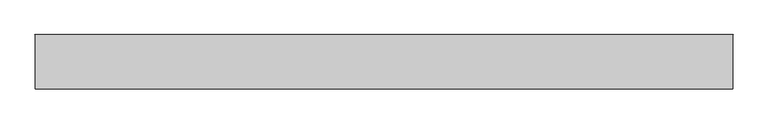
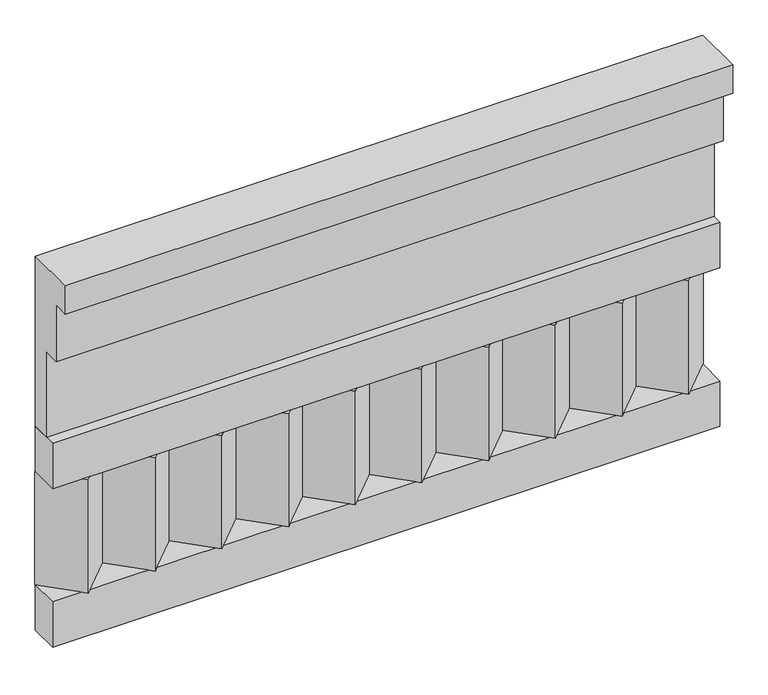
"""IFC4 building model written with IfcOpenShell, lengths in millimetres: railing geometry."""

from ifc_helpers import new_model, si_unit, frame, origin, place, context, project, spatial, polyline, outline, extrude, source, transform, mapped, element, save


def railing_902bfc0c(model_context):
    return source(origin(), model_context, "Body", "SweptSolid", [
        extrude(outline(polyline([(-16816.8920513, 15205.0), (-16816.8920513, 14755.0), (-16866.8920513, 14755.0), (-16866.8920513, 14980.0), (-16906.8920513, 14980.0), (-16906.8920513, 15130.0), (-16946.8920513, 15130.0), (-16946.8920513, 15205.0), (-16816.8920513, 15205.0)])), frame((-33139.9887159, 0.0, 0.0), z_axis=(1.0, 0.0, 0.0), x_axis=(0.0, 1.0, 0.0)), (0.0, 0.0, 1.0), 1670.0),
        extrude(outline(polyline([(-33139.9887159, -16891.8920513), (-33139.9887159, -16816.8920513), (-31469.9887159, -16816.8920513), (-31469.9887159, -16891.8920513), (-33139.9887159, -16891.8920513)])), frame((0.0, 0.0, 14635.0), z_axis=(0.0, 0.0, 1.0), x_axis=(1.0, 0.0, 0.0)), (0.0, 0.0, 1.0), 120.0),
        extrude(outline(polyline([(-33139.9887159, -16891.8920513), (-33139.9887159, -16816.8920513), (-31469.9887159, -16816.8920513), (-31469.9887159, -16891.8920513), (-33139.9887159, -16891.8920513)])), frame((0.0, 0.0, 14215.0), z_axis=(0.0, 0.0, 1.0), x_axis=(1.0, 0.0, 0.0)), (0.0, 0.0, 1.0), 120.0),
        extrude(outline(polyline([(-31553.4887159, -16901.7448651), (-31638.3415296, -16816.8920513), (-31468.6359022, -16816.8920513), (-31553.4887159, -16901.7448651)])), frame((0.0, 0.0, 14335.0), z_axis=(0.0, 0.0, 1.0), x_axis=(1.0, 0.0, 0.0)), (0.0, 0.0, 1.0), 300.0),
        extrude(outline(polyline([(-31720.4887159, -16901.7448651), (-31805.3415296, -16816.8920513), (-31635.6359022, -16816.8920513), (-31720.4887159, -16901.7448651)])), frame((0.0, 0.0, 14335.0), z_axis=(0.0, 0.0, 1.0), x_axis=(1.0, 0.0, 0.0)), (0.0, 0.0, 1.0), 300.0),
        extrude(outline(polyline([(-31887.4887159, -16901.7448651), (-31972.3415296, -16816.8920513), (-31802.6359022, -16816.8920513), (-31887.4887159, -16901.7448651)])), frame((0.0, 0.0, 14335.0), z_axis=(0.0, 0.0, 1.0), x_axis=(1.0, 0.0, 0.0)), (0.0, 0.0, 1.0), 300.0),
        extrude(outline(polyline([(-32054.4887159, -16901.7448651), (-32139.3415296, -16816.8920513), (-31969.6359022, -16816.8920513), (-32054.4887159, -16901.7448651)])), frame((0.0, 0.0, 14335.0), z_axis=(0.0, 0.0, 1.0), x_axis=(1.0, 0.0, 0.0)), (0.0, 0.0, 1.0), 300.0),
        extrude(outline(polyline([(-32221.4887159, -16901.7448651), (-32306.3415296, -16816.8920513), (-32136.6359022, -16816.8920513), (-32221.4887159, -16901.7448651)])), frame((0.0, 0.0, 14335.0), z_axis=(0.0, 0.0, 1.0), x_axis=(1.0, 0.0, 0.0)), (0.0, 0.0, 1.0), 300.0),
        extrude(outline(polyline([(-32388.4887159, -16901.7448651), (-32473.3415296, -16816.8920513), (-32303.6359022, -16816.8920513), (-32388.4887159, -16901.7448651)])), frame((0.0, 0.0, 14335.0), z_axis=(0.0, 0.0, 1.0), x_axis=(1.0, 0.0, 0.0)), (0.0, 0.0, 1.0), 300.0),
        extrude(outline(polyline([(-32555.4887159, -16901.7448651), (-32640.3415296, -16816.8920513), (-32470.6359022, -16816.8920513), (-32555.4887159, -16901.7448651)])), frame((0.0, 0.0, 14335.0), z_axis=(0.0, 0.0, 1.0), x_axis=(1.0, 0.0, 0.0)), (0.0, 0.0, 1.0), 300.0),
        extrude(outline(polyline([(-32722.4887159, -16901.7448651), (-32807.3415296, -16816.8920513), (-32637.6359022, -16816.8920513), (-32722.4887159, -16901.7448651)])), frame((0.0, 0.0, 14335.0), z_axis=(0.0, 0.0, 1.0), x_axis=(1.0, 0.0, 0.0)), (0.0, 0.0, 1.0), 300.0),
        extrude(outline(polyline([(-32889.4887159, -16901.7448651), (-32974.3415296, -16816.8920513), (-32804.6359022, -16816.8920513), (-32889.4887159, -16901.7448651)])), frame((0.0, 0.0, 14335.0), z_axis=(0.0, 0.0, 1.0), x_axis=(1.0, 0.0, 0.0)), (0.0, 0.0, 1.0), 300.0),
        extrude(outline(polyline([(-33056.4887159, -16901.7448651), (-33141.3415296, -16816.8920513), (-32971.6359022, -16816.8920513), (-33056.4887159, -16901.7448651)])), frame((0.0, 0.0, 14335.0), z_axis=(0.0, 0.0, 1.0), x_axis=(1.0, 0.0, 0.0)), (0.0, 0.0, 1.0), 300.0),
    ])


if __name__ == "__main__":
    model = new_model("IFC4")
    model_context = context("Model", 3, world=origin())
    ifc_project = project(units=[si_unit("LENGTHUNIT", "METRE", prefix="MILLI")], contexts=[model_context])
    site = spatial("IfcSite", under=ifc_project)
    building = spatial("IfcBuilding", under=site)
    placement = place(None, origin())
    railing_shape = railing_902bfc0c(model_context)
    element("IfcRailing", 1, at=placement, inside=building, context=model_context, shape_type="MappedRepresentation", body=[
        mapped(railing_shape, transform((0.0, 0.0, 0.0), x_axis=(1.0, 0.0, 0.0), y_axis=(0.0, 1.0, 0.0), z_axis=(0.0, 0.0, 1.0))),
    ])
    save(model, "model.ifc")
